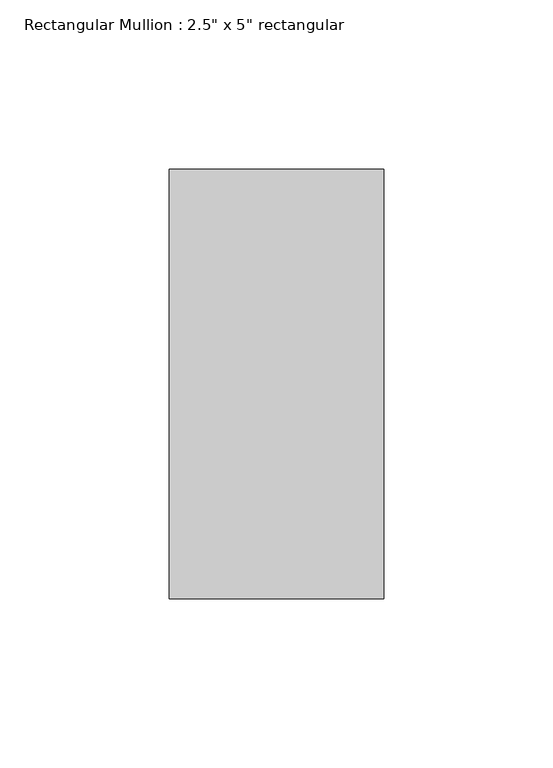
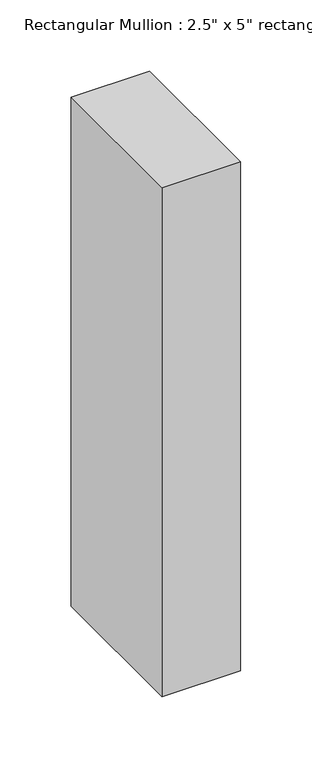
"""IFC4 building model written with IfcOpenShell, lengths in millimetres: member geometry."""

from ifc_helpers import new_model, si_unit, frame, origin, place, context, project, spatial, polyline, outline, extrude, source, transform, mapped, element, save


def member_735a7aab(model_context):
    return source(origin(), model_context, "Body", "SweptSolid", [
        extrude(outline(polyline([(31.75, 63.5), (31.75, -63.5), (-31.75, -63.5), (-31.75, 63.5), (31.75, 63.5)])), frame((0.0, 0.0, -435.0394742), z_axis=(0.0, 0.0, 1.0), x_axis=(1.0, 0.0, 0.0)), (0.0, 0.0, 1.0), 435.0394742),
    ])


if __name__ == "__main__":
    model = new_model("IFC4")
    model_context = context("Model", 3, world=origin())
    ifc_project = project(units=[si_unit("LENGTHUNIT", "METRE", prefix="MILLI")], contexts=[model_context])
    site = spatial("IfcSite", under=ifc_project)
    building = spatial("IfcBuilding", under=site)
    placement = place(None, origin())
    member_shape = member_735a7aab(model_context)
    element("IfcMember", 1, ObjectType="Rectangular Mullion : 2.5\" x 5\" rectangular", at=placement, inside=building, context=model_context, shape_type="MappedRepresentation", body=[
        mapped(member_shape, transform((0.0, 0.0, 0.0), x_axis=(1.0, 0.0, 0.0), y_axis=(0.0, 1.0, 0.0), z_axis=(0.0, 0.0, 1.0))),
    ])
    save(model, "model.ifc")
